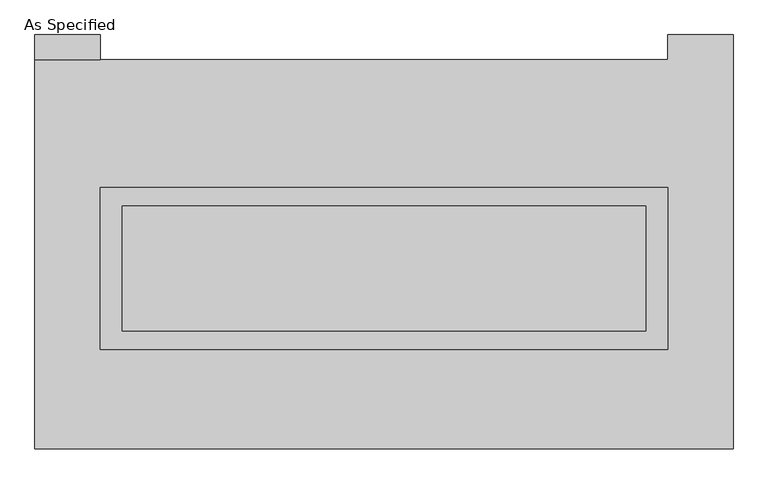
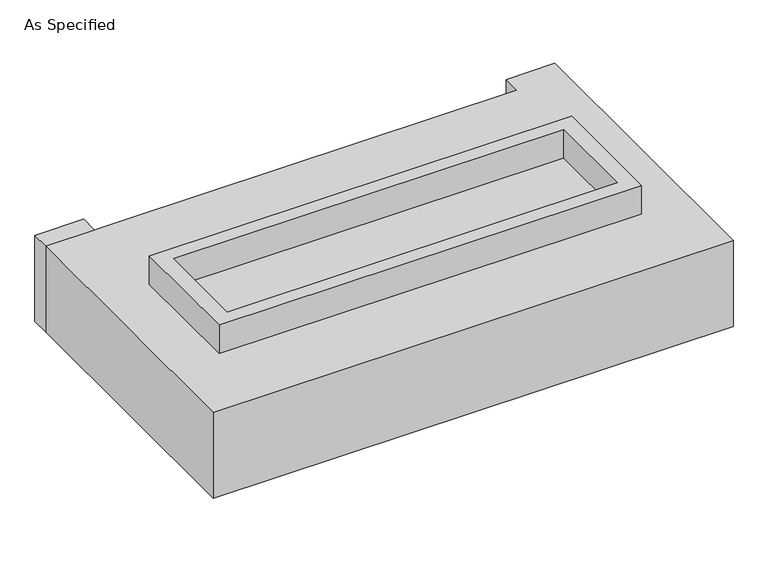
"""IFC4 building model written with IfcOpenShell, lengths in millimetres: proxy geometry, As Specified."""

from ifc_helpers import new_model, si_unit, frame, origin, place, context, project, spatial, polyline, outline, extrude, source, transform, mapped, element, save


def as_specified_c82247ad(model_context):
    return source(origin(), model_context, "Body", "SweptSolid", [
        extrude(outline(polyline([(1155.7, 273.05), (1155.7, -387.35), (-1155.7, -387.35), (-1155.7, 273.05), (1155.7, 273.05)]), holes=[polyline([(1066.8, 196.85), (-1066.8, 196.85), (-1066.8, -311.15), (1066.8, -311.15), (1066.8, 196.85)])]), frame((0.0, 0.0, -688.975), z_axis=(0.0, 0.0, 1.0), x_axis=(1.0, 0.0, 0.0)), (0.0, 0.0, 1.0), 165.1),
        extrude(outline(polyline([(1155.7, 273.05), (1155.7, -387.35), (-1155.7, -387.35), (-1155.7, 273.05), (1155.7, 273.05)]), holes=[polyline([(1066.8, 196.85), (-1066.8, 196.85), (-1066.8, -311.15), (1066.8, -311.15), (1066.8, 196.85)])]), frame((0.0, 0.0, -25.4), z_axis=(0.0, 0.0, 1.0), x_axis=(1.0, 0.0, 0.0)), (0.0, 0.0, 1.0), 165.1),
        extrude(outline(polyline([(-1155.7, 793.75), (-1422.4, 793.75), (-1422.4, 895.35), (-1155.7, 895.35), (-1155.7, 793.75)])), frame((0.0, 0.0, -523.875), z_axis=(0.0, 0.0, 1.0), x_axis=(1.0, 0.0, 0.0)), (0.0, 0.0, 1.0), 498.475),
        extrude(outline(polyline([(1066.8, 196.85), (1066.8, -311.15), (-1066.8, -311.15), (-1066.8, 196.85), (1066.8, 196.85)])), frame((0.0, 0.0, -523.875), z_axis=(0.0, 0.0, 1.0), x_axis=(1.0, 0.0, 0.0)), (0.0, 0.0, 1.0), 4.9609375),
        extrude(outline(polyline([(1066.8, 196.85), (1066.8, -311.15), (-1066.8, -311.15), (-1066.8, 196.85), (1066.8, 196.85)])), frame((0.0, 0.0, -30.3609375), z_axis=(0.0, 0.0, 1.0), x_axis=(1.0, 0.0, 0.0)), (0.0, 0.0, 1.0), 4.9609375),
        extrude(outline(polyline([(1422.4, -793.75), (-1422.4, -793.75), (-1422.4, 793.75), (1155.7, 793.75), (1155.7, 895.35), (1422.4, 895.35), (1422.4, -793.75)]), holes=[polyline([(-1155.7, 273.05), (-1155.7, -387.35), (1155.7, -387.35), (1155.7, 273.05), (-1155.7, 273.05)])]), frame((0.0, 0.0, -523.875), z_axis=(0.0, 0.0, 1.0), x_axis=(1.0, 0.0, 0.0)), (0.0, 0.0, 1.0), 498.475),
    ])


if __name__ == "__main__":
    model = new_model("IFC4")
    model_context = context("Model", 3, world=origin())
    ifc_project = project(units=[si_unit("LENGTHUNIT", "METRE", prefix="MILLI")], contexts=[model_context])
    site = spatial("IfcSite", under=ifc_project)
    building = spatial("IfcBuilding", under=site)
    placement = place(None, origin())
    as_specified_shape = as_specified_c82247ad(model_context)
    element("IfcBuildingElementProxy", 1, Name="As Specified", ObjectType="As Specified", at=placement, inside=building, context=model_context, shape_type="MappedRepresentation", body=[
        mapped(as_specified_shape, transform((0.0, 0.0, 0.0), x_axis=(1.0, 0.0, 0.0), y_axis=(0.0, 1.0, 0.0), z_axis=(0.0, 0.0, 1.0))),
    ])
    save(model, "model.ifc")
